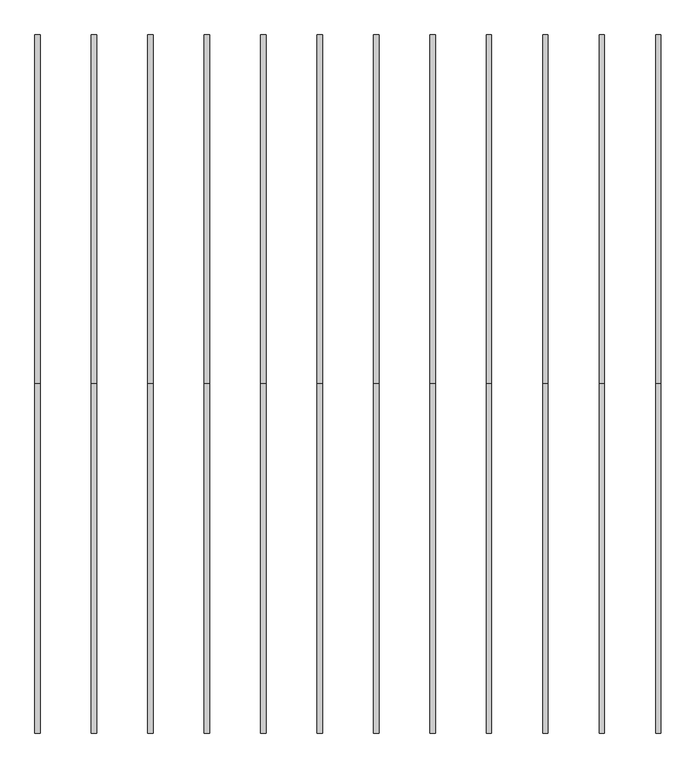
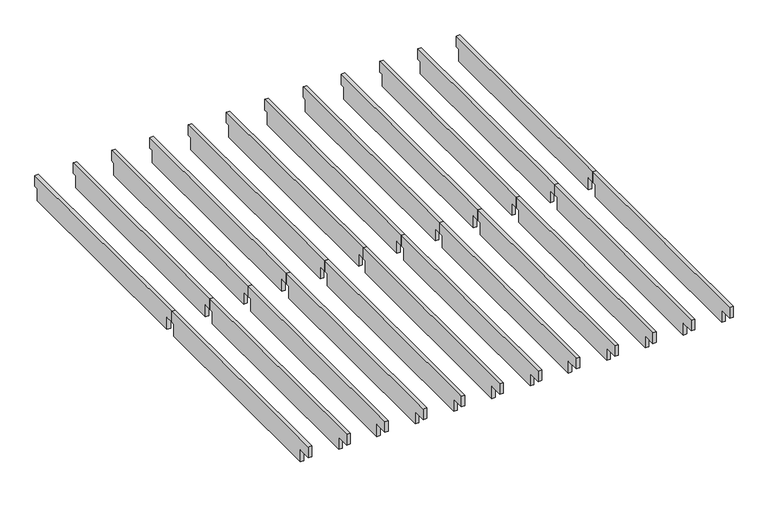
"""IFC4 building model written with IfcOpenShell, lengths in millimetres: furniture geometry."""

import ifcopenshell
import ifcopenshell.guid

model = None  # the IFC model being written
_history = None  # IfcOwnerHistory: only IFC2X3 demands one
_inside = {}  # id of a spatial element -> (the spatial element, [elements in it])
_under = {}  # id of a project, library or spatial element -> (it, [spatial elements below it])
_declared = {}  # id of a project -> (the project, [libraries it declares])
_typed = {}  # id of a type object -> (the type object, [elements of that type])
_made_of = {}  # id of a material, layer set ... -> (it, [elements and type objects made of it])


def new_model(schema):
    """Start an empty IFC model of exactly this schema.

    Asked for "IFC4X3", IfcOpenShell would pick the latest addendum, in which some entities
    have other attributes; the version numbers below select the first issue.
    IFC2X3 requires an IfcOwnerHistory on every rooted entity: one is made here for all.
    """
    global model, _history
    if schema == "IFC4X3":
        model = ifcopenshell.file(schema_version=(4, 3, 0, 0))
    else:
        model = ifcopenshell.file(schema=schema)
    _inside.clear()
    _under.clear()
    _declared.clear()
    _typed.clear()
    _made_of.clear()
    _history = None
    if model.schema == "IFC2X3":
        org = make("IfcOrganization", Name="unknown")
        user = make(
            "IfcPersonAndOrganization",
            ThePerson=make("IfcPerson", FamilyName="unknown"),
            TheOrganization=org,
        )
        app = make(
            "IfcApplication",
            ApplicationDeveloper=org,
            Version="unknown",
            ApplicationFullName="unknown",
            ApplicationIdentifier="unknown",
        )
        _history = make(
            "IfcOwnerHistory",
            OwningUser=user,
            OwningApplication=app,
            ChangeAction="ADDED",
            CreationDate=0,
        )
    return model


def make(cls, **values):
    """One entity of the class cls with the attributes given. An attribute that is None is left unset."""
    return model.create_entity(
        cls, **{name: value for name, value in values.items() if value is not None}
    )


def rooted(cls, **values):
    """An entity with a GlobalId (a new one), such as an element, a storey or a relation."""
    return make(cls, GlobalId=ifcopenshell.guid.new(), OwnerHistory=_history, **values)


def si_unit(unit_type, name, prefix=None):
    """IfcSIUnit, for example si_unit("LENGTHUNIT", "METRE", prefix="MILLI")."""
    return make("IfcSIUnit", UnitType=unit_type, Prefix=prefix, Name=name)


def assignment(units):
    """IfcUnitAssignment: the units of a project."""
    return None if units is None else make("IfcUnitAssignment", Units=units)


def point(xyz):
    """IfcCartesianPoint."""
    return None if xyz is None else make("IfcCartesianPoint", Coordinates=xyz)


def direction(xyz):
    """IfcDirection."""
    return None if xyz is None else make("IfcDirection", DirectionRatios=xyz)


def frame(location, z_axis=None, x_axis=None):
    """IfcAxis2Placement3D, a coordinate frame: its origin and axes. An axis left out is left unset."""
    return make(
        "IfcAxis2Placement3D",
        Location=point(location),
        Axis=direction(z_axis),
        RefDirection=direction(x_axis),
    )


def origin():
    """The frame at (0, 0, 0) with its axes left unset."""
    return frame((0.0, 0.0, 0.0))


def place(relative_to, where):
    """IfcLocalPlacement: puts the frame where relative to a parent placement (None: the world)."""
    return make(
        "IfcLocalPlacement", PlacementRelTo=relative_to, RelativePlacement=where
    )


def context(
    kind, dimensions, precision=None, world=None, true_north=None, identifier=None
):
    """IfcGeometricRepresentationContext, for example the 3D "Model" context."""
    return make(
        "IfcGeometricRepresentationContext",
        ContextIdentifier=identifier,
        ContextType=kind,
        CoordinateSpaceDimension=dimensions,
        Precision=precision,
        WorldCoordinateSystem=world,
        TrueNorth=true_north,
    )


def project(units=None, contexts=None):
    """IfcProject with its units and contexts."""
    return rooted(
        "IfcProject",
        Name="project",
        RepresentationContexts=contexts,
        UnitsInContext=assignment(units),
    )


def spatial(cls, under=None, at=None, **own):
    """A site, building, storey or space (cls), placed at a placement, below another one or the project."""
    s = rooted(cls, ObjectPlacement=at, **own)
    if under is not None:
        _under.setdefault(under.id(), (under, []))[1].append(s)
    return s


def polyline(points):
    """IfcPolyline through the points."""
    return make("IfcPolyline", Points=[point(p) for p in points])


def outline(outer, holes=None, kind="AREA"):
    """IfcArbitraryClosedProfileDef: a profile drawn as a closed curve; with holes, ...WithVoids."""
    if holes is None:
        return make("IfcArbitraryClosedProfileDef", ProfileType=kind, OuterCurve=outer)
    return make(
        "IfcArbitraryProfileDefWithVoids",
        ProfileType=kind,
        OuterCurve=outer,
        InnerCurves=holes,
    )


def extrude(swept, where, along, depth):
    """IfcExtrudedAreaSolid: the profile swept, set in the frame where, extruded along a direction by depth."""
    return make(
        "IfcExtrudedAreaSolid",
        SweptArea=swept,
        Position=where,
        ExtrudedDirection=direction(along),
        Depth=depth,
    )


def shape(context_of_items, identifier, shape_type, items):
    """IfcShapeRepresentation: the items that make up one representation, for example the "Body"."""
    return make(
        "IfcShapeRepresentation",
        ContextOfItems=context_of_items,
        RepresentationIdentifier=identifier,
        RepresentationType=shape_type,
        Items=items,
    )


def source(mapping_origin, context_of_items, identifier, shape_type, items):
    """IfcRepresentationMap: a shape defined once, which mapped items show again and again."""
    return make(
        "IfcRepresentationMap",
        MappingOrigin=mapping_origin,
        MappedRepresentation=shape(context_of_items, identifier, shape_type, items),
    )


def transform(
    local_origin,
    x_axis=None,
    y_axis=None,
    z_axis=None,
    scale=None,
    scale2=None,
    scale3=None,
    uniform=True,
):
    """IfcCartesianTransformationOperator3D, or its non-uniform kind. x_axis, y_axis, z_axis: its Axis1, 2, 3."""
    if uniform:
        return make(
            "IfcCartesianTransformationOperator3D",
            Axis1=direction(x_axis),
            Axis2=direction(y_axis),
            LocalOrigin=point(local_origin),
            Scale=scale,
            Axis3=direction(z_axis),
        )
    return make(
        "IfcCartesianTransformationOperator3DnonUniform",
        Axis1=direction(x_axis),
        Axis2=direction(y_axis),
        LocalOrigin=point(local_origin),
        Scale=scale,
        Axis3=direction(z_axis),
        Scale2=scale2,
        Scale3=scale3,
    )


def mapped(mapping_source, mapping_target):
    """IfcMappedItem: shows the shape of a source again, moved by a transform."""
    return make(
        "IfcMappedItem", MappingSource=mapping_source, MappingTarget=mapping_target
    )


def made_of(thing, what):
    """Note that an element or type object is made of a material, layer set ...; save() writes the relation."""
    if what is not None:
        _made_of.setdefault(what.id(), (what, []))[1].append(thing)
    return thing


def element(
    cls,
    number,
    at=None,
    inside=None,
    cuts=None,
    type_object=None,
    material=None,
    context=None,
    identifier="Body",
    shape_type=None,
    held_by="IfcProductDefinitionShape",
    body=None,
    shapes=None,
    **own,
):
    """One element of the class cls, such as IfcWall. Its Tag is "e" and its number.

    at: its placement. inside: the storey or other place that contains it. cuts: it is an
    opening in that element (IfcRelVoidsElement). A single representation is given by context,
    identifier, shape_type and body (its items); several are given by shapes. held_by: the class
    of the entity that holds the representations. save() writes the other relations.
    """
    e = rooted(cls, Tag="e%d" % number, ObjectPlacement=at, **own)
    if body is not None:
        shapes = [shape(context, identifier, shape_type, body)]
    if shapes is not None:
        e.Representation = make(held_by, Representations=shapes)
    if inside is not None:
        _inside.setdefault(inside.id(), (inside, []))[1].append(e)
    if cuts is not None:
        rooted(
            "IfcRelVoidsElement", RelatingBuildingElement=cuts, RelatedOpeningElement=e
        )
    if type_object is not None:
        _typed.setdefault(type_object.id(), (type_object, []))[1].append(e)
    return made_of(e, material)


def aggregate(whole, parts):
    """IfcRelAggregates: a whole, such as a stair, and the parts it consists of."""
    return rooted("IfcRelAggregates", RelatingObject=whole, RelatedObjects=parts)


def save(model, path):
    """Write the relations noted so far, then the file.

    IfcRelAggregates (storeys below a building ...), IfcRelContainedInSpatialStructure (elements
    in a storey), IfcRelDefinesByType, IfcRelAssociatesMaterial and IfcRelDeclares: one each for
    every whole, place, type object, material and project.
    """
    for whole, parts in _under.values():
        aggregate(whole, parts)
    for where, things in _inside.values():
        rooted(
            "IfcRelContainedInSpatialStructure",
            RelatedElements=things,
            RelatingStructure=where,
        )
    for kind, things in _typed.values():
        rooted("IfcRelDefinesByType", RelatedObjects=things, RelatingType=kind)
    for what, things in _made_of.values():
        rooted("IfcRelAssociatesMaterial", RelatedObjects=things, RelatingMaterial=what)
    for by, libraries in _declared.values():
        rooted("IfcRelDeclares", RelatingContext=by, RelatedDefinitions=libraries)
    model.write(path)


def furniture_2ed9b5d9(model_context):
    return source(origin(), model_context, "Body", "SweptSolid", [
        extrude(outline(polyline([(-1883.6386, 2354.2752), (-1883.6386, 2265.3752), (-1916.6586, 2265.3752), (-1916.6586, 2163.7752), (-3658.4382, 2163.7752), (-3658.4382, 2265.3752), (-3767.2772, 2265.3752), (-3767.2772, 2354.2752), (-1883.6386, 2354.2752)])), frame((3338.8046, 0.0, 0.0), z_axis=(1.0, 0.0, 0.0), x_axis=(0.0, 1.0, 0.0)), (0.0, 0.0, 1.0), 27.9908),
        extrude(outline(polyline([(-1883.6386, 2354.2752), (0.0, 2354.2752), (0.0, 2265.3752), (-33.02, 2265.3752), (-33.02, 2163.7752), (-1820.5196, 2163.7752), (-1820.5196, 2265.3752), (-1883.6386, 2265.3752), (-1883.6386, 2354.2752)])), frame((3338.8046, 0.0, 0.0), z_axis=(1.0, 0.0, 0.0), x_axis=(0.0, 1.0, 0.0)), (0.0, 0.0, 1.0), 27.9908),
        extrude(outline(polyline([(-1883.6386, 2354.2752), (-1883.6386, 2265.3752), (-1916.6586, 2265.3752), (-1916.6586, 2163.7752), (-3658.4382, 2163.7752), (-3658.4382, 2265.3752), (-3767.2772, 2265.3752), (-3767.2772, 2354.2752), (-1883.6386, 2354.2752)])), frame((3034.0046, 0.0, 0.0), z_axis=(1.0, 0.0, 0.0), x_axis=(0.0, 1.0, 0.0)), (0.0, 0.0, 1.0), 27.9908),
        extrude(outline(polyline([(-1883.6386, 2354.2752), (0.0, 2354.2752), (0.0, 2265.3752), (-33.02, 2265.3752), (-33.02, 2163.7752), (-1820.5196, 2163.7752), (-1820.5196, 2265.3752), (-1883.6386, 2265.3752), (-1883.6386, 2354.2752)])), frame((3034.0046, 0.0, 0.0), z_axis=(1.0, 0.0, 0.0), x_axis=(0.0, 1.0, 0.0)), (0.0, 0.0, 1.0), 27.9908),
        extrude(outline(polyline([(-1883.6386, 2354.2752), (-1883.6386, 2265.3752), (-1916.6586, 2265.3752), (-1916.6586, 2163.7752), (-3658.4382, 2163.7752), (-3658.4382, 2265.3752), (-3767.2772, 2265.3752), (-3767.2772, 2354.2752), (-1883.6386, 2354.2752)])), frame((2729.2046, 0.0, 0.0), z_axis=(1.0, 0.0, 0.0), x_axis=(0.0, 1.0, 0.0)), (0.0, 0.0, 1.0), 27.9908),
        extrude(outline(polyline([(-1883.6386, 2354.2752), (0.0, 2354.2752), (0.0, 2265.3752), (-33.02, 2265.3752), (-33.02, 2163.7752), (-1820.5196, 2163.7752), (-1820.5196, 2265.3752), (-1883.6386, 2265.3752), (-1883.6386, 2354.2752)])), frame((2729.2046, 0.0, 0.0), z_axis=(1.0, 0.0, 0.0), x_axis=(0.0, 1.0, 0.0)), (0.0, 0.0, 1.0), 27.9908),
        extrude(outline(polyline([(-1883.6386, 2354.2752), (-1883.6386, 2265.3752), (-1916.6586, 2265.3752), (-1916.6586, 2163.7752), (-3658.4382, 2163.7752), (-3658.4382, 2265.3752), (-3767.2772, 2265.3752), (-3767.2772, 2354.2752), (-1883.6386, 2354.2752)])), frame((2424.4046, 0.0, 0.0), z_axis=(1.0, 0.0, 0.0), x_axis=(0.0, 1.0, 0.0)), (0.0, 0.0, 1.0), 27.9908),
        extrude(outline(polyline([(-1883.6386, 2354.2752), (0.0, 2354.2752), (0.0, 2265.3752), (-33.02, 2265.3752), (-33.02, 2163.7752), (-1820.5196, 2163.7752), (-1820.5196, 2265.3752), (-1883.6386, 2265.3752), (-1883.6386, 2354.2752)])), frame((2424.4046, 0.0, 0.0), z_axis=(1.0, 0.0, 0.0), x_axis=(0.0, 1.0, 0.0)), (0.0, 0.0, 1.0), 27.9908),
        extrude(outline(polyline([(-1883.6386, 2354.2752), (-1883.6386, 2265.3752), (-1916.6586, 2265.3752), (-1916.6586, 2163.7752), (-3658.4382, 2163.7752), (-3658.4382, 2265.3752), (-3767.2772, 2265.3752), (-3767.2772, 2354.2752), (-1883.6386, 2354.2752)])), frame((2119.6046, 0.0, 0.0), z_axis=(1.0, 0.0, 0.0), x_axis=(0.0, 1.0, 0.0)), (0.0, 0.0, 1.0), 27.9908),
        extrude(outline(polyline([(-1883.6386, 2354.2752), (0.0, 2354.2752), (0.0, 2265.3752), (-33.02, 2265.3752), (-33.02, 2163.7752), (-1820.5196, 2163.7752), (-1820.5196, 2265.3752), (-1883.6386, 2265.3752), (-1883.6386, 2354.2752)])), frame((2119.6046, 0.0, 0.0), z_axis=(1.0, 0.0, 0.0), x_axis=(0.0, 1.0, 0.0)), (0.0, 0.0, 1.0), 27.9908),
        extrude(outline(polyline([(-1883.6386, 2354.2752), (-1883.6386, 2265.3752), (-1916.6586, 2265.3752), (-1916.6586, 2163.7752), (-3658.4382, 2163.7752), (-3658.4382, 2265.3752), (-3767.2772, 2265.3752), (-3767.2772, 2354.2752), (-1883.6386, 2354.2752)])), frame((1814.8046, 0.0, 0.0), z_axis=(1.0, 0.0, 0.0), x_axis=(0.0, 1.0, 0.0)), (0.0, 0.0, 1.0), 27.9908),
        extrude(outline(polyline([(-1883.6386, 2354.2752), (0.0, 2354.2752), (0.0, 2265.3752), (-33.02, 2265.3752), (-33.02, 2163.7752), (-1820.5196, 2163.7752), (-1820.5196, 2265.3752), (-1883.6386, 2265.3752), (-1883.6386, 2354.2752)])), frame((1814.8046, 0.0, 0.0), z_axis=(1.0, 0.0, 0.0), x_axis=(0.0, 1.0, 0.0)), (0.0, 0.0, 1.0), 27.9908),
        extrude(outline(polyline([(-1883.6386, 2354.2752), (-1883.6386, 2265.3752), (-1916.6586, 2265.3752), (-1916.6586, 2163.7752), (-3658.4382, 2163.7752), (-3658.4382, 2265.3752), (-3767.2772, 2265.3752), (-3767.2772, 2354.2752), (-1883.6386, 2354.2752)])), frame((1510.0046, 0.0, 0.0), z_axis=(1.0, 0.0, 0.0), x_axis=(0.0, 1.0, 0.0)), (0.0, 0.0, 1.0), 27.9908),
        extrude(outline(polyline([(-1883.6386, 2354.2752), (0.0, 2354.2752), (0.0, 2265.3752), (-33.02, 2265.3752), (-33.02, 2163.7752), (-1820.5196, 2163.7752), (-1820.5196, 2265.3752), (-1883.6386, 2265.3752), (-1883.6386, 2354.2752)])), frame((1510.0046, 0.0, 0.0), z_axis=(1.0, 0.0, 0.0), x_axis=(0.0, 1.0, 0.0)), (0.0, 0.0, 1.0), 27.9908),
        extrude(outline(polyline([(-1883.6386, 2354.2752), (-1883.6386, 2265.3752), (-1916.6586, 2265.3752), (-1916.6586, 2163.7752), (-3658.4382, 2163.7752), (-3658.4382, 2265.3752), (-3767.2772, 2265.3752), (-3767.2772, 2354.2752), (-1883.6386, 2354.2752)])), frame((1205.2046, 0.0, 0.0), z_axis=(1.0, 0.0, 0.0), x_axis=(0.0, 1.0, 0.0)), (0.0, 0.0, 1.0), 27.9908),
        extrude(outline(polyline([(-1883.6386, 2354.2752), (0.0, 2354.2752), (0.0, 2265.3752), (-33.02, 2265.3752), (-33.02, 2163.7752), (-1820.5196, 2163.7752), (-1820.5196, 2265.3752), (-1883.6386, 2265.3752), (-1883.6386, 2354.2752)])), frame((1205.2046, 0.0, 0.0), z_axis=(1.0, 0.0, 0.0), x_axis=(0.0, 1.0, 0.0)), (0.0, 0.0, 1.0), 27.9908),
        extrude(outline(polyline([(-1883.6386, 2354.2752), (-1883.6386, 2265.3752), (-1916.6586, 2265.3752), (-1916.6586, 2163.7752), (-3658.4382, 2163.7752), (-3658.4382, 2265.3752), (-3767.2772, 2265.3752), (-3767.2772, 2354.2752), (-1883.6386, 2354.2752)])), frame((900.4046, 0.0, 0.0), z_axis=(1.0, 0.0, 0.0), x_axis=(0.0, 1.0, 0.0)), (0.0, 0.0, 1.0), 27.9908),
        extrude(outline(polyline([(-1883.6386, 2354.2752), (0.0, 2354.2752), (0.0, 2265.3752), (-33.02, 2265.3752), (-33.02, 2163.7752), (-1820.5196, 2163.7752), (-1820.5196, 2265.3752), (-1883.6386, 2265.3752), (-1883.6386, 2354.2752)])), frame((900.4046, 0.0, 0.0), z_axis=(1.0, 0.0, 0.0), x_axis=(0.0, 1.0, 0.0)), (0.0, 0.0, 1.0), 27.9908),
        extrude(outline(polyline([(-1883.6386, 2354.2752), (-1883.6386, 2265.3752), (-1916.6586, 2265.3752), (-1916.6586, 2163.7752), (-3658.4382, 2163.7752), (-3658.4382, 2265.3752), (-3767.2772, 2265.3752), (-3767.2772, 2354.2752), (-1883.6386, 2354.2752)])), frame((595.6046, 0.0, 0.0), z_axis=(1.0, 0.0, 0.0), x_axis=(0.0, 1.0, 0.0)), (0.0, 0.0, 1.0), 27.9908),
        extrude(outline(polyline([(-1883.6386, 2354.2752), (0.0, 2354.2752), (0.0, 2265.3752), (-33.02, 2265.3752), (-33.02, 2163.7752), (-1820.5196, 2163.7752), (-1820.5196, 2265.3752), (-1883.6386, 2265.3752), (-1883.6386, 2354.2752)])), frame((595.6046, 0.0, 0.0), z_axis=(1.0, 0.0, 0.0), x_axis=(0.0, 1.0, 0.0)), (0.0, 0.0, 1.0), 27.9908),
        extrude(outline(polyline([(-1883.6386, 2354.2752), (-1883.6386, 2265.3752), (-1916.6586, 2265.3752), (-1916.6586, 2163.7752), (-3658.4382, 2163.7752), (-3658.4382, 2265.3752), (-3767.2772, 2265.3752), (-3767.2772, 2354.2752), (-1883.6386, 2354.2752)])), frame((290.8046, 0.0, 0.0), z_axis=(1.0, 0.0, 0.0), x_axis=(0.0, 1.0, 0.0)), (0.0, 0.0, 1.0), 27.9908),
        extrude(outline(polyline([(-1883.6386, 2354.2752), (0.0, 2354.2752), (0.0, 2265.3752), (-33.02, 2265.3752), (-33.02, 2163.7752), (-1820.5196, 2163.7752), (-1820.5196, 2265.3752), (-1883.6386, 2265.3752), (-1883.6386, 2354.2752)])), frame((290.8046, 0.0, 0.0), z_axis=(1.0, 0.0, 0.0), x_axis=(0.0, 1.0, 0.0)), (0.0, 0.0, 1.0), 27.9908),
        extrude(outline(polyline([(-1883.6386, 2354.2752), (-1883.6386, 2265.3752), (-1916.6586, 2265.3752), (-1916.6586, 2163.7752), (-3658.4382, 2163.7752), (-3658.4382, 2265.3752), (-3767.2772, 2265.3752), (-3767.2772, 2354.2752), (-1883.6386, 2354.2752)])), frame((-13.9954, 0.0, 0.0), z_axis=(1.0, 0.0, 0.0), x_axis=(0.0, 1.0, 0.0)), (0.0, 0.0, 1.0), 27.9908),
        extrude(outline(polyline([(-1883.6386, 2354.2752), (0.0, 2354.2752), (0.0, 2265.3752), (-33.02, 2265.3752), (-33.02, 2163.7752), (-1820.5196, 2163.7752), (-1820.5196, 2265.3752), (-1883.6386, 2265.3752), (-1883.6386, 2354.2752)])), frame((-13.9954, 0.0, 0.0), z_axis=(1.0, 0.0, 0.0), x_axis=(0.0, 1.0, 0.0)), (0.0, 0.0, 1.0), 27.9908),
    ])


if __name__ == "__main__":
    model = new_model("IFC4")
    model_context = context("Model", 3, world=origin())
    ifc_project = project(units=[si_unit("LENGTHUNIT", "METRE", prefix="MILLI")], contexts=[model_context])
    site = spatial("IfcSite", under=ifc_project)
    building = spatial("IfcBuilding", under=site)
    placement = place(None, origin())
    furniture_shape = furniture_2ed9b5d9(model_context)
    element("IfcFurniture", 1, at=placement, inside=building, context=model_context, shape_type="MappedRepresentation", body=[
        mapped(furniture_shape, transform((0.0, 0.0, 0.0), x_axis=(1.0, 0.0, 0.0), y_axis=(0.0, 1.0, 0.0), z_axis=(0.0, 0.0, 1.0))),
    ])
    save(model, "model.ifc")
